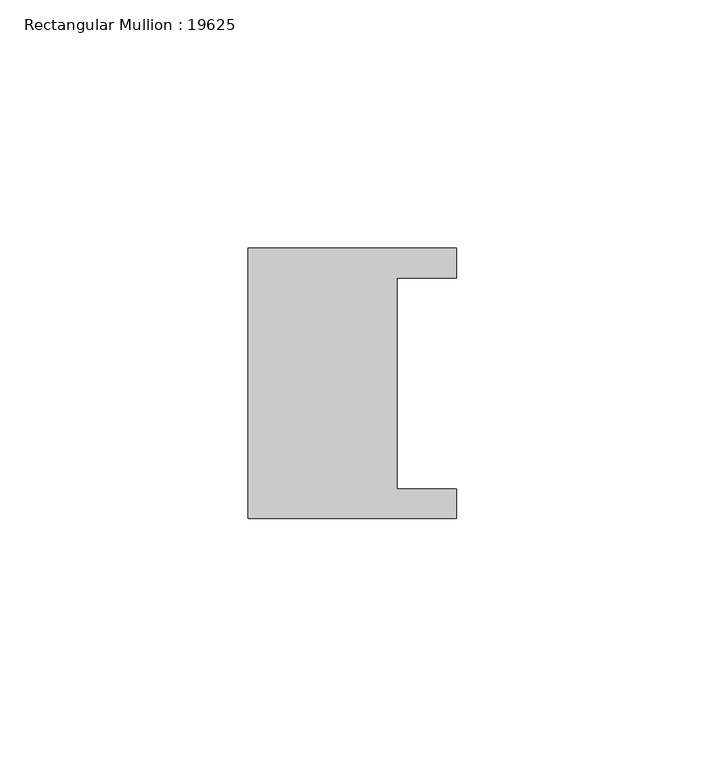
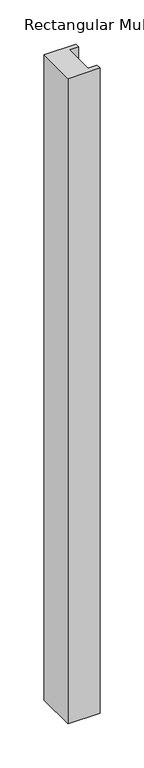
"""IFC4 building model written with IfcOpenShell, lengths in millimetres: member geometry, Rectangular Mullion : 19625."""

from ifc_helpers import new_model, si_unit, frame, origin, place, context, project, spatial, polyline, outline, extrude, source, transform, mapped, element, save


def rectangular_mullion_19625_29c83460(model_context):
    return source(origin(), model_context, "Body", "SweptSolid", [
        extrude(outline(polyline([(-42.0, -27.25), (-42.0, 27.25), (0.0, 27.25), (0.0, 21.25), (-12.0, 21.25), (-12.0, -21.25), (0.0, -21.25), (0.0, -27.25), (-42.0, -27.25)])), frame((0.0, 0.0, -894.0), z_axis=(0.0, 0.0, 1.0), x_axis=(1.0, 0.0, 0.0)), (0.0, 0.0, 1.0), 894.0),
    ])


if __name__ == "__main__":
    model = new_model("IFC4")
    model_context = context("Model", 3, world=origin())
    ifc_project = project(units=[si_unit("LENGTHUNIT", "METRE", prefix="MILLI")], contexts=[model_context])
    site = spatial("IfcSite", under=ifc_project)
    building = spatial("IfcBuilding", under=site)
    placement = place(None, origin())
    rectangular_mullion_19625_shape = rectangular_mullion_19625_29c83460(model_context)
    element("IfcMember", 1, ObjectType="Rectangular Mullion : 19625", at=placement, inside=building, context=model_context, shape_type="MappedRepresentation", body=[
        mapped(rectangular_mullion_19625_shape, transform((0.0, 0.0, 0.0), x_axis=(1.0, 0.0, 0.0), y_axis=(0.0, 1.0, 0.0), z_axis=(0.0, 0.0, 1.0))),
    ])
    save(model, "model.ifc")
